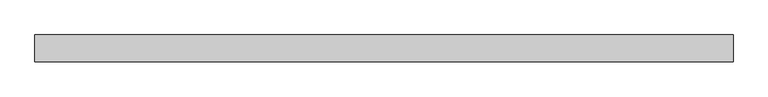
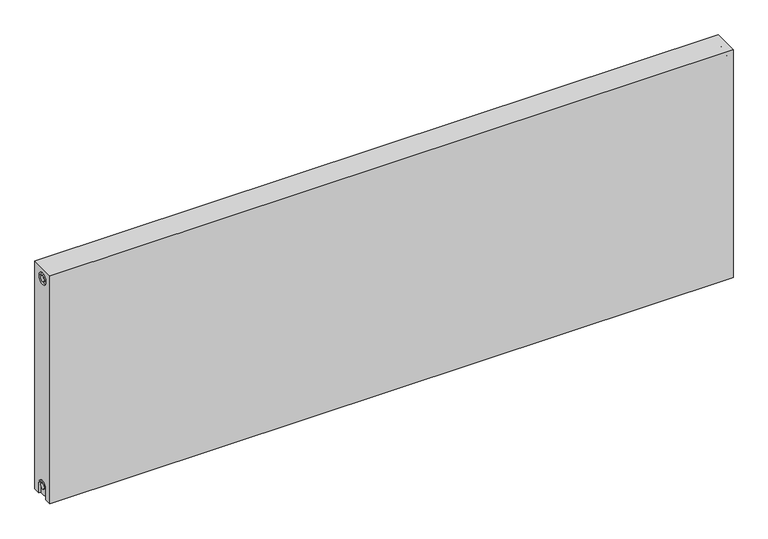
"""IFC4 building model written with IfcOpenShell, lengths in millimetres: proxy geometry."""

from ifc_helpers import new_model, si_unit, frame, origin, place, context, project, spatial, polyline, circle_curve, source, transform, mapped, element, save
from ifc_brep_helpers import plane_surface, cylinder_surface, revolved_surface, advanced_brep


def mechanical_equipment_2cde3cf3(model_context):
    return source(origin(), model_context, "Body", "AdvancedBrep", [
        advanced_brep(
        [(1700.0, 32.5, 600.0), (1700.0, 32.5, 0.0), (0.0, 32.5, 0.0), (0.0, 32.5, 600.0), (1700.0, -32.5, 600.0), (0.0, -32.5, 600.0), (0.0, -32.5, 0.0), (1700.0, -32.5, 0.0), (1700.0, -15.0, 0.0), (1700.0, -15.0, 27.0), (1700.0, 15.0, 27.0), (1700.0, 15.0, 0.0), (1700.0, 14.7242393, 573.0), (1700.0, -15.2757607, 573.0), (1700.0, -7.5, 27.0), (1700.0, 7.5, 27.0), (1700.0, 7.2242393, 573.0), (1700.0, -7.7757607, 573.0), (1695.0, 15.0, 0.0), (1695.0, -15.0, 0.0), (0.0, -15.0, 0.0), (5.0, -15.0, 0.0), (5.0, 15.0, 0.0), (0.0, 15.0, 0.0), (0.0, 15.0, 27.0), (0.0, -15.0, 27.0), (0.0, -15.2757607, 573.0), (0.0, 14.7242393, 573.0), (0.0, -7.7757607, 573.0), (0.0, 7.2242393, 573.0), (0.0, 7.5682726, 27.0), (0.0, -7.4317274, 27.0), (5.0, -15.2757607, 573.0), (5.0, 14.7242393, 573.0), (5.0, -7.7757607, 573.0), (5.0, 7.2242393, 573.0), (5.0, -15.0, 27.0), (5.0, 15.0, 27.0), (5.0, -7.4317274, 27.0), (5.0, 7.5682726, 27.0), (1695.0, 15.0, 27.0), (1695.0, -15.0, 27.0), (1695.0, -7.5, 27.0), (1695.0, 7.5, 27.0), (1695.0, -15.2757607, 573.0), (1695.0, 14.7242393, 573.0), (1695.0, -7.7757607, 573.0), (1695.0, 7.2242393, 573.0)],
        [
            (0, 1),
            (1, 2),
            (2, 3),
            (3, 0),
            (4, 5),
            (5, 6),
            (6, 7),
            (7, 4),
            (0, 4),
            (7, 8),
            (8, 9),
            (9, 10, circle_curve(frame((1700.0, 0.0, 27.0), z_axis=(-1.0, 0.0, 0.0), x_axis=(0.0, 1.0, 0.0)), 15.0)),
            (10, 11),
            (11, 1),
            (12, 13, circle_curve(frame((1700.0, -0.2757607, 573.0), z_axis=(-1.0, 0.0, 0.0), x_axis=(0.0, 1.0, 0.0)), 15.0)),
            (13, 12, circle_curve(frame((1700.0, -0.2757607, 573.0), z_axis=(-1.0, 0.0, 0.0), x_axis=(0.0, 1.0, 0.0)), 15.0)),
            (14, 15, circle_curve(frame((1700.0, 0.0, 27.0), z_axis=(1.0, 0.0, 0.0), x_axis=(0.0, 1.0, 0.0)), 7.5)),
            (15, 14, circle_curve(frame((1700.0, 0.0, 27.0), z_axis=(1.0, 0.0, 0.0), x_axis=(0.0, 1.0, 0.0)), 7.5)),
            (16, 17, circle_curve(frame((1700.0, -0.2757607, 573.0), z_axis=(1.0, 0.0, 0.0), x_axis=(0.0, 1.0, 0.0)), 7.5)),
            (17, 16, circle_curve(frame((1700.0, -0.2757607, 573.0), z_axis=(1.0, 0.0, 0.0), x_axis=(0.0, 1.0, 0.0)), 7.5)),
            (11, 18),
            (18, 19),
            (19, 8),
            (6, 20),
            (20, 21),
            (21, 22),
            (22, 23),
            (23, 2),
            (23, 24),
            (24, 25, circle_curve(frame((0.0, 0.0, 27.0), z_axis=(1.0, 0.0, 0.0), x_axis=(0.0, 1.0, 0.0)), 15.0)),
            (25, 20),
            (5, 3),
            (26, 27, circle_curve(frame((0.0, -0.2757607, 573.0), z_axis=(1.0, 0.0, 0.0), x_axis=(0.0, 1.0, 0.0)), 15.0)),
            (27, 26, circle_curve(frame((0.0, -0.2757607, 573.0), z_axis=(1.0, 0.0, 0.0), x_axis=(0.0, 1.0, 0.0)), 15.0)),
            (28, 29, circle_curve(frame((0.0, -0.2757607, 573.0), z_axis=(-1.0, 0.0, 0.0), x_axis=(0.0, 1.0, 0.0)), 7.5)),
            (29, 28, circle_curve(frame((0.0, -0.2757607, 573.0), z_axis=(-1.0, 0.0, 0.0), x_axis=(0.0, 1.0, 0.0)), 7.5)),
            (30, 31, circle_curve(frame((0.0, 0.0682726, 27.0), z_axis=(-1.0, 0.0, 0.0), x_axis=(0.0, 1.0, 0.0)), 7.5)),
            (31, 30, circle_curve(frame((0.0, 0.0682726, 27.0), z_axis=(-1.0, 0.0, 0.0), x_axis=(0.0, 1.0, 0.0)), 7.5)),
            (32, 33, circle_curve(frame((5.0, -0.2757607, 573.0), z_axis=(-1.0, 0.0, 0.0), x_axis=(0.0, 1.0, 0.0)), 15.0)),
            (33, 32, circle_curve(frame((5.0, -0.2757607, 573.0), z_axis=(-1.0, 0.0, 0.0), x_axis=(0.0, 1.0, 0.0)), 15.0)),
            (34, 35, circle_curve(frame((5.0, -0.2757607, 573.0), z_axis=(1.0, 0.0, 0.0), x_axis=(0.0, 1.0, 0.0)), 7.5)),
            (35, 34, circle_curve(frame((5.0, -0.2757607, 573.0), z_axis=(1.0, 0.0, 0.0), x_axis=(0.0, 1.0, 0.0)), 7.5)),
            (33, 27),
            (26, 32),
            (35, 29),
            (28, 34),
            (21, 36),
            (36, 37, circle_curve(frame((5.0, 0.0, 27.0), z_axis=(-1.0, 0.0, 0.0), x_axis=(0.0, 1.0, 0.0)), 15.0)),
            (37, 22),
            (38, 39, circle_curve(frame((5.0, 0.0682726, 27.0), z_axis=(1.0, 0.0, 0.0), x_axis=(0.0, 1.0, 0.0)), 7.5)),
            (39, 38, circle_curve(frame((5.0, 0.0682726, 27.0), z_axis=(1.0, 0.0, 0.0), x_axis=(0.0, 1.0, 0.0)), 7.5)),
            (38, 31),
            (30, 39),
            (37, 24),
            (36, 25),
            (18, 40),
            (40, 41, circle_curve(frame((1695.0, 0.0, 27.0), z_axis=(1.0, 0.0, 0.0), x_axis=(0.0, 1.0, 0.0)), 15.0)),
            (41, 19),
            (42, 43, circle_curve(frame((1695.0, 0.0, 27.0), z_axis=(-1.0, 0.0, 0.0), x_axis=(0.0, 1.0, 0.0)), 7.5)),
            (43, 42, circle_curve(frame((1695.0, 0.0, 27.0), z_axis=(-1.0, 0.0, 0.0), x_axis=(0.0, 1.0, 0.0)), 7.5)),
            (43, 15),
            (14, 42),
            (10, 40),
            (9, 41),
            (44, 45, circle_curve(frame((1695.0, -0.2757607, 573.0), z_axis=(1.0, 0.0, 0.0), x_axis=(0.0, 1.0, 0.0)), 15.0)),
            (45, 44, circle_curve(frame((1695.0, -0.2757607, 573.0), z_axis=(1.0, 0.0, 0.0), x_axis=(0.0, 1.0, 0.0)), 15.0)),
            (46, 47, circle_curve(frame((1695.0, -0.2757607, 573.0), z_axis=(-1.0, 0.0, 0.0), x_axis=(0.0, 1.0, 0.0)), 7.5)),
            (47, 46, circle_curve(frame((1695.0, -0.2757607, 573.0), z_axis=(-1.0, 0.0, 0.0), x_axis=(0.0, 1.0, 0.0)), 7.5)),
            (44, 13),
            (12, 45),
            (46, 17),
            (16, 47),
        ],
        [
            plane_surface(frame((1700.0, 32.5, 600.0), z_axis=(0.0, 1.0, 0.0), x_axis=(0.0, 0.0, -1.0))),
            plane_surface(frame((1700.0, -32.5, 600.0), z_axis=(0.0, -1.0, 0.0), x_axis=(0.0, 0.0, 1.0))),
            plane_surface(frame((1700.0, 32.5, 600.0), z_axis=(1.0, 0.0, 0.0), x_axis=(0.0, -1.0, 0.0))),
            plane_surface(frame((1700.0, 32.5, 0.0), z_axis=(0.0, 0.0, -1.0), x_axis=(0.0, -1.0, 0.0))),
            plane_surface(frame((0.0, 32.5, 0.0), z_axis=(-1.0, 0.0, 0.0), x_axis=(0.0, -1.0, 0.0))),
            plane_surface(frame((0.0, 32.5, 600.0), z_axis=(0.0, 0.0, 1.0), x_axis=(0.0, -1.0, 0.0))),
            plane_surface(frame((5.0, 14.7242393, 573.0), z_axis=(-1.0, 0.0, 0.0), x_axis=(0.0, 0.0, 1.0))),
            revolved_surface(polyline([(5.0, 14.7242393, 573.0), (0.0, 14.7242393, 573.0)]), (0.0, -0.2757607, 573.0), (1.0, 0.0, 0.0)),
            cylinder_surface(frame((0.0, -0.2757607, 573.0), z_axis=(-1.0, 0.0, 0.0), x_axis=(0.0, 1.0, 0.0)), 7.5),
            plane_surface(frame((5.0, 7.5682726, 27.0), z_axis=(-1.0, 0.0, 0.0), x_axis=(0.0, 0.0, -1.0))),
            cylinder_surface(frame((0.0, 0.0682726, 27.0), z_axis=(-1.0, 0.0, 0.0), x_axis=(0.0, 1.0, 0.0)), 7.5),
            plane_surface(frame((5.0, 15.0, 0.0), z_axis=(0.0, -1.0, 0.0), x_axis=(-1.0, 0.0, 0.0))),
            revolved_surface(polyline([(5.0, 15.0, 27.0), (0.0, 15.0, 27.0)]), (0.0, 0.0, 27.0), (1.0, 0.0, 0.0)),
            plane_surface(frame((5.0, -15.0, 27.0), z_axis=(0.0, 1.0, 0.0), x_axis=(-1.0, 0.0, 0.0))),
            plane_surface(frame((1695.0, 7.5, 27.0), z_axis=(1.0, 0.0, 0.0), x_axis=(0.0, 0.0, 1.0))),
            cylinder_surface(frame((1695.0, 0.0, 27.0), z_axis=(-1.0, 0.0, 0.0), x_axis=(0.0, 1.0, 0.0)), 7.5),
            plane_surface(frame((1700.0, 15.0, 0.0), z_axis=(0.0, -1.0, 0.0), x_axis=(-1.0, 0.0, 0.0))),
            revolved_surface(polyline([(1700.0, 15.0, 27.0), (1695.0, 15.0, 27.0)]), (895.0, 0.0, 27.0), (1.0, 0.0, 0.0)),
            plane_surface(frame((1700.0, -15.0, 27.0), z_axis=(0.0, 1.0, 0.0), x_axis=(-1.0, 0.0, 0.0))),
            plane_surface(frame((1695.0, 14.7242393, 573.0), z_axis=(1.0, 0.0, 0.0), x_axis=(0.0, 0.0, -1.0))),
            revolved_surface(polyline([(1700.0, 14.7242393, 573.0), (1695.0, 14.7242393, 573.0)]), (1695.0, -0.2757607, 573.0), (1.0, 0.0, 0.0)),
            cylinder_surface(frame((895.0, -0.2757607, 573.0), z_axis=(-1.0, 0.0, 0.0), x_axis=(0.0, 1.0, 0.0)), 7.5),
        ],
        [
            (0, [[1, 2, 3, 4]]),
            (1, [[5, 6, 7, 8]]),
            (2, [[-1, 9, -8, 10, 11, 12, 13, 14], [15, 16]]),
            (2, [[17, 18]]),
            (2, [[19, 20]]),
            (3, [[-2, -14, 21, 22, 23, -10, -7, 24, 25, 26, 27, 28]]),
            (4, [[-3, -28, 29, 30, 31, -24, -6, 32], [33, 34]]),
            (4, [[35, 36]]),
            (4, [[37, 38]]),
            (5, [[-4, -32, -5, -9]]),
            (6, [[39, 40], [41, 42]]),
            (7, [[-40, 43, -33, 44]]),
            (7, [[-39, -44, -34, -43]]),
            (8, [[-42, 45, -35, 46]]),
            (8, [[-41, -46, -36, -45]]),
            (9, [[47, 48, 49, -26], [50, 51]]),
            (10, [[-50, 52, -37, 53]]),
            (10, [[-51, -53, -38, -52]]),
            (11, [[-49, 54, -29, -27]]),
            (12, [[-48, 55, -30, -54]]),
            (13, [[-47, -25, -31, -55]]),
            (14, [[56, 57, 58, -22], [59, 60]]),
            (15, [[-60, 61, -17, 62]]),
            (15, [[-59, -62, -18, -61]]),
            (16, [[-56, -21, -13, 63]]),
            (17, [[-57, -63, -12, 64]]),
            (18, [[-58, -64, -11, -23]]),
            (19, [[65, 66], [67, 68]]),
            (20, [[-65, 69, -15, 70]]),
            (20, [[-66, -70, -16, -69]]),
            (21, [[-67, 71, -19, 72]]),
            (21, [[-68, -72, -20, -71]]),
        ],
    ),
    ])


if __name__ == "__main__":
    model = new_model("IFC4")
    model_context = context("Model", 3, world=origin())
    ifc_project = project(units=[si_unit("LENGTHUNIT", "METRE", prefix="MILLI")], contexts=[model_context])
    site = spatial("IfcSite", under=ifc_project)
    building = spatial("IfcBuilding", under=site)
    placement = place(None, origin())
    mechanical_equipment_shape = mechanical_equipment_2cde3cf3(model_context)
    element("IfcBuildingElementProxy", 1, Name="Mechanical Equipment", at=placement, inside=building, context=model_context, shape_type="MappedRepresentation", body=[
        mapped(mechanical_equipment_shape, transform((0.0, 0.0, 0.0), x_axis=(1.0, 0.0, 0.0), y_axis=(0.0, 1.0, 0.0), z_axis=(0.0, 0.0, 1.0))),
    ])
    save(model, "model.ifc")
